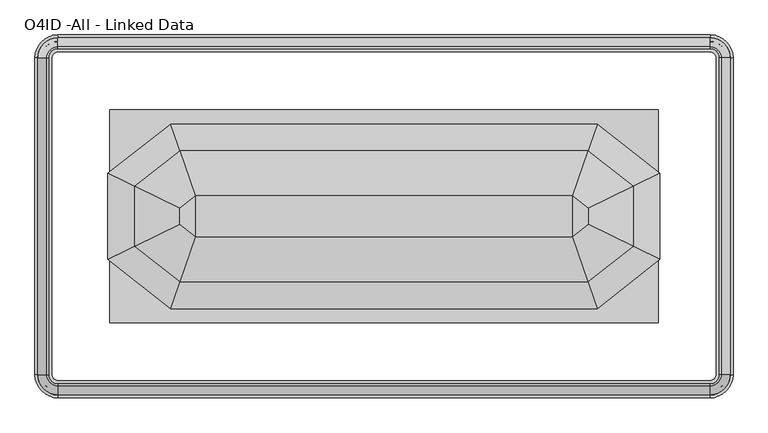
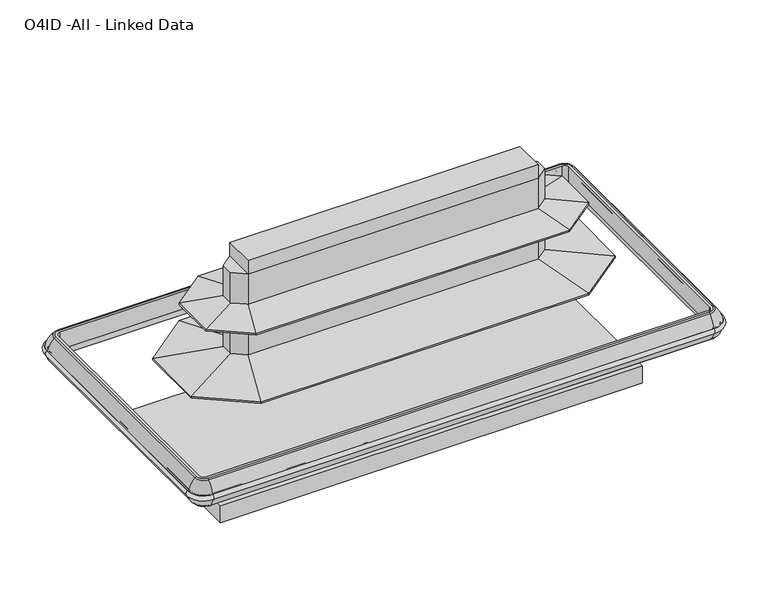
"""IFC4 building model written with IfcOpenShell, lengths in millimetres: proxy geometry, O4ID -All - Linked Data."""

from ifc_helpers import new_model, si_unit, point, frame, origin, place, context, project, spatial, polyline, circle_curve, ellipse_curve, trimmed, outline, extrude, faceted_brep, source, transform, mapped, element, save
from ifc_brep_helpers import plane_surface, cylinder_surface, revolved_surface, advanced_brep


def o4id_all_linked_data_f9561949(model_context):
    return source(origin(), model_context, "Body", "SolidModel", [
        advanced_brep(
        [(15.5691464, -2298.62165, 576.4502877), (128.5372773, -2411.5897809, 576.4502877), (128.5372773, -2412.2459044, 541.7869334), (14.9130229, -2298.62165, 541.7869334), (14.9130229, -530.0462046, 541.7869334), (15.5691464, -530.0462046, 576.4502877), (128.5372773, -417.0780737, 576.4502877), (128.5372773, -416.4219502, 541.7869334), (3770.3627227, -416.4219502, 541.7869334), (3770.3627227, -417.0780737, 576.4502877), (3883.3308536, -530.0462046, 576.4502877), (3883.9869771, -530.0462046, 541.7869334), (3883.9869771, -2298.62165, 541.7869334), (3883.3308536, -2298.62165, 576.4502877), (3770.3627227, -2411.5897809, 576.4502877), (3770.3627227, -2412.2459044, 541.7869334)],
        [
            (0, 1, circle_curve(frame((128.5372773, -2298.62165, 576.4502877), z_axis=(0.0, 0.0, 1.0), x_axis=(0.0, -1.0, 0.0)), 112.9681309)),
            (1, 2, circle_curve(frame((128.5372773, -2409.555689, 559.0738987), z_axis=(-1.0, 0.0, 0.0), x_axis=(0.0, -1.0, 0.0)), 17.49504)),
            (2, 3, circle_curve(frame((128.5372773, -2298.62165, 541.7869334), z_axis=(0.0, 0.0, -1.0), x_axis=(0.0, -1.0, 0.0)), 113.6242544)),
            (3, 0, circle_curve(frame((17.6032383, -2298.62165, 559.0738987), z_axis=(0.0, -1.0, 0.0), x_axis=(-1.0, 0.0, 0.0)), 17.49504)),
            (2, 1, circle_curve(frame((128.5372773, -2409.555689, 559.0738987), z_axis=(-1.0, 0.0, 0.0), x_axis=(0.0, -1.0, 0.0)), 17.49504)),
            (0, 3, circle_curve(frame((17.6032383, -2298.62165, 559.0738987), z_axis=(0.0, -1.0, 0.0), x_axis=(-1.0, 0.0, 0.0)), 17.49504)),
            (3, 4),
            (4, 5, circle_curve(frame((17.6032383, -530.0462046, 559.0738987), z_axis=(0.0, -1.0, 0.0), x_axis=(-1.0, 0.0, 0.0)), 17.49504)),
            (5, 0),
            (5, 4, circle_curve(frame((17.6032383, -530.0462046, 559.0738987), z_axis=(0.0, -1.0, 0.0), x_axis=(-1.0, 0.0, 0.0)), 17.49504)),
            (6, 5, circle_curve(frame((128.5372773, -530.0462046, 576.4502877), z_axis=(0.0, 0.0, 1.0), x_axis=(-1.0, 0.0, 0.0)), 112.9681309)),
            (4, 7, circle_curve(frame((128.5372773, -530.0462046, 541.7869334), z_axis=(0.0, 0.0, -1.0), x_axis=(-1.0, 0.0, 0.0)), 113.6242544)),
            (7, 6, circle_curve(frame((128.5372773, -419.1121656, 559.0738987), z_axis=(-1.0, 0.0, 0.0), x_axis=(0.0, 1.0, 0.0)), 17.49504)),
            (6, 7, circle_curve(frame((128.5372773, -419.1121656, 559.0738987), z_axis=(-1.0, 0.0, 0.0), x_axis=(0.0, 1.0, 0.0)), 17.49504)),
            (7, 8),
            (8, 9, circle_curve(frame((3770.3627227, -419.1121656, 559.0738987), z_axis=(-1.0, 0.0, 0.0), x_axis=(0.0, 1.0, 0.0)), 17.49504)),
            (9, 6),
            (9, 8, circle_curve(frame((3770.3627227, -419.1121656, 559.0738987), z_axis=(-1.0, 0.0, 0.0), x_axis=(0.0, 1.0, 0.0)), 17.49504)),
            (10, 9, circle_curve(frame((3770.3627227, -530.0462046, 576.4502877), z_axis=(0.0, 0.0, 1.0), x_axis=(0.0, 1.0, 0.0)), 112.9681309)),
            (8, 11, circle_curve(frame((3770.3627227, -530.0462046, 541.7869334), z_axis=(0.0, 0.0, -1.0), x_axis=(0.0, 1.0, 0.0)), 113.6242544)),
            (11, 10, circle_curve(frame((3881.2967617, -530.0462046, 559.0738987), z_axis=(0.0, 1.0, 0.0), x_axis=(1.0, 0.0, 0.0)), 17.49504)),
            (10, 11, circle_curve(frame((3881.2967617, -530.0462046, 559.0738987), z_axis=(0.0, 1.0, 0.0), x_axis=(1.0, 0.0, 0.0)), 17.49504)),
            (11, 12),
            (12, 13, circle_curve(frame((3881.2967617, -2298.62165, 559.0738987), z_axis=(0.0, 1.0, 0.0), x_axis=(1.0, 0.0, 0.0)), 17.49504)),
            (13, 10),
            (13, 12, circle_curve(frame((3881.2967617, -2298.62165, 559.0738987), z_axis=(0.0, 1.0, 0.0), x_axis=(1.0, 0.0, 0.0)), 17.49504)),
            (14, 13, circle_curve(frame((3770.3627227, -2298.62165, 576.4502877), z_axis=(0.0, 0.0, 1.0), x_axis=(1.0, 0.0, 0.0)), 112.9681309)),
            (12, 15, circle_curve(frame((3770.3627227, -2298.62165, 541.7869334), z_axis=(0.0, 0.0, -1.0), x_axis=(1.0, 0.0, 0.0)), 113.6242544)),
            (15, 14, circle_curve(frame((3770.3627227, -2409.555689, 559.0738987), z_axis=(1.0, 0.0, 0.0), x_axis=(0.0, -1.0, 0.0)), 17.49504)),
            (14, 15, circle_curve(frame((3770.3627227, -2409.555689, 559.0738987), z_axis=(1.0, 0.0, 0.0), x_axis=(0.0, -1.0, 0.0)), 17.49504)),
            (15, 2),
            (1, 14),
        ],
        [
            revolved_surface(trimmed(ellipse_curve(frame((128.5372773, -2409.555689, 559.0738987), z_axis=(1.0, 0.0, 0.0), x_axis=(0.0, -1.0, 0.0)), 17.49504, 17.49504), [point((128.5372773, -2412.2459044, 541.7869334))], [point((128.5372773, -2411.5897809, 576.4502877))], True, "CARTESIAN"), (128.5372773, -2298.62165, 0.0), (0.0, 0.0, -1.0)),
            revolved_surface(trimmed(ellipse_curve(frame((128.5372773, -2409.555689, 559.0738987), z_axis=(1.0, 0.0, 0.0), x_axis=(0.0, -1.0, 0.0)), 17.49504, 17.49504), [point((128.5372773, -2411.5897809, 576.4502877))], [point((128.5372773, -2412.2459044, 541.7869334))], True, "CARTESIAN"), (128.5372773, -2298.62165, 0.0), (0.0, 0.0, -1.0)),
            cylinder_surface(frame((17.6032383, -2298.62165, 559.0738987), z_axis=(0.0, -1.0, 0.0), x_axis=(-1.0, 0.0, 0.0)), 17.49504),
            revolved_surface(trimmed(ellipse_curve(frame((17.6032383, -530.0462046, 559.0738987), z_axis=(0.0, -1.0, 0.0), x_axis=(-1.0, 0.0, 0.0)), 17.49504, 17.49504), [point((14.9130229, -530.0462046, 541.7869334))], [point((15.5691464, -530.0462046, 576.4502877))], True, "CARTESIAN"), (128.5372773, -530.0462046, 0.0), (0.0, 0.0, -1.0)),
            revolved_surface(trimmed(ellipse_curve(frame((17.6032383, -530.0462046, 559.0738987), z_axis=(0.0, -1.0, 0.0), x_axis=(-1.0, 0.0, 0.0)), 17.49504, 17.49504), [point((15.5691464, -530.0462046, 576.4502877))], [point((14.9130229, -530.0462046, 541.7869334))], True, "CARTESIAN"), (128.5372773, -530.0462046, 0.0), (0.0, 0.0, -1.0)),
            cylinder_surface(frame((128.5372773, -419.1121656, 559.0738987), z_axis=(-1.0, 0.0, 0.0), x_axis=(0.0, 1.0, 0.0)), 17.49504),
            revolved_surface(trimmed(ellipse_curve(frame((3770.3627227, -419.1121656, 559.0738987), z_axis=(-1.0, 0.0, 0.0), x_axis=(0.0, 1.0, 0.0)), 17.49504, 17.49504), [point((3770.3627227, -416.4219502, 541.7869334))], [point((3770.3627227, -417.0780737, 576.4502877))], True, "CARTESIAN"), (3770.3627227, -530.0462046, 0.0), (0.0, 0.0, -1.0)),
            revolved_surface(trimmed(ellipse_curve(frame((3770.3627227, -419.1121656, 559.0738987), z_axis=(-1.0, 0.0, 0.0), x_axis=(0.0, 1.0, 0.0)), 17.49504, 17.49504), [point((3770.3627227, -417.0780737, 576.4502877))], [point((3770.3627227, -416.4219502, 541.7869334))], True, "CARTESIAN"), (3770.3627227, -530.0462046, 0.0), (0.0, 0.0, -1.0)),
            cylinder_surface(frame((3881.2967617, -530.0462046, 559.0738987), z_axis=(0.0, 1.0, 0.0), x_axis=(1.0, 0.0, 0.0)), 17.49504),
            revolved_surface(trimmed(ellipse_curve(frame((3881.2967617, -2298.62165, 559.0738987), z_axis=(0.0, 1.0, 0.0), x_axis=(1.0, 0.0, 0.0)), 17.49504, 17.49504), [point((3883.9869771, -2298.62165, 541.7869334))], [point((3883.3308536, -2298.62165, 576.4502877))], True, "CARTESIAN"), (3770.3627227, -2298.62165, 0.0), (0.0, 0.0, -1.0)),
            revolved_surface(trimmed(ellipse_curve(frame((3881.2967617, -2298.62165, 559.0738987), z_axis=(0.0, 1.0, 0.0), x_axis=(1.0, 0.0, 0.0)), 17.49504, 17.49504), [point((3883.3308536, -2298.62165, 576.4502877))], [point((3883.9869771, -2298.62165, 541.7869334))], True, "CARTESIAN"), (3770.3627227, -2298.62165, 0.0), (0.0, 0.0, -1.0)),
            cylinder_surface(frame((3770.3627227, -2409.555689, 559.0738987), z_axis=(1.0, 0.0, 0.0), x_axis=(0.0, -1.0, 0.0)), 17.49504),
        ],
        [
            (0, [[1, 2, 3, 4]]),
            (1, [[-3, 5, -1, 6]]),
            (2, [[-4, 7, 8, 9]]),
            (2, [[-6, -9, 10, -7]]),
            (3, [[11, -8, 12, 13]]),
            (4, [[-12, -10, -11, 14]]),
            (5, [[-13, 15, 16, 17]]),
            (5, [[-14, -17, 18, -15]]),
            (6, [[19, -16, 20, 21]]),
            (7, [[-20, -18, -19, 22]]),
            (8, [[-21, 23, 24, 25]]),
            (8, [[-22, -25, 26, -23]]),
            (9, [[27, -24, 28, 29]]),
            (10, [[-28, -26, -27, 30]]),
            (11, [[-29, 31, -2, 32]]),
            (11, [[-30, -32, -5, -31]]),
        ],
    ),
        advanced_brep(
        [(3821.7474506, -2298.62165, 664.6065482), (3770.3627227, -2350.0063779, 664.6065482), (3770.3627227, -2360.7928007, 660.3792394), (3832.5338734, -2298.62165, 660.3792394), (3801.3161501, -2298.62165, 529.6852408), (3770.3627227, -2329.5750774, 529.6852408), (3770.3627227, -2329.5750774, 664.6065482), (3801.3161501, -2298.62165, 664.6065482), (3816.876808, -2298.62165, 475.7067482), (3770.3627227, -2345.1357353, 475.7067482), (3770.3627227, -2345.1357353, 529.6852408), (3816.876808, -2298.62165, 529.6852408), (3853.8137761, -2298.62165, 477.8552864), (3770.3627227, -2382.0727034, 477.8552864), (3770.3627227, -2377.311378, 475.7067482), (3849.0524507, -2298.62165, 475.7067482), (3883.9869771, -2298.62165, 541.7869334), (3770.3627227, -2412.2459044, 541.7869334), (3883.3308536, -2298.62165, 576.4502877), (3770.3627227, -2411.5897809, 576.4502877), (3832.5338734, -530.0462046, 660.3792394), (3821.7474506, -530.0462046, 664.6065482), (3801.3161501, -530.0462046, 664.6065482), (3801.3161501, -530.0462046, 529.6852408), (3816.876808, -530.0462046, 529.6852408), (3816.876808, -530.0462046, 475.7067482), (3849.0524507, -530.0462046, 475.7067482), (3853.8137761, -530.0462046, 477.8552864), (3883.9869771, -530.0462046, 541.7869334), (3883.3308536, -530.0462046, 576.4502877), (3770.3627227, -478.6614766, 664.6065482), (3770.3627227, -467.8750539, 660.3792394), (3770.3627227, -499.0927772, 529.6852408), (3770.3627227, -499.0927772, 664.6065482), (3770.3627227, -483.5321193, 475.7067482), (3770.3627227, -483.5321193, 529.6852408), (3770.3627227, -446.5951512, 477.8552864), (3770.3627227, -451.3564766, 475.7067482), (3770.3627227, -416.4219502, 541.7869334), (3770.3627227, -417.0780737, 576.4502877), (128.5372773, -467.8750539, 660.3792394), (128.5372773, -478.6614766, 664.6065482), (128.5372773, -499.0927772, 664.6065482), (128.5372773, -499.0927772, 529.6852408), (128.5372773, -483.5321193, 529.6852408), (128.5372773, -483.5321193, 475.7067482), (128.5372773, -451.3564766, 475.7067482), (128.5372773, -446.5951512, 477.8552864), (128.5372773, -416.4219502, 541.7869334), (128.5372773, -417.0780737, 576.4502877), (77.1525494, -530.0462046, 664.6065482), (66.3661266, -530.0462046, 660.3792394), (97.5838499, -530.0462046, 529.6852408), (97.5838499, -530.0462046, 664.6065482), (82.023192, -530.0462046, 475.7067482), (82.023192, -530.0462046, 529.6852408), (45.0862239, -530.0462046, 477.8552864), (49.8475493, -530.0462046, 475.7067482), (14.9130229, -530.0462046, 541.7869334), (15.5691464, -530.0462046, 576.4502877), (66.3661266, -2298.62165, 660.3792394), (77.1525494, -2298.62165, 664.6065482), (97.5838499, -2298.62165, 664.6065482), (97.5838499, -2298.62165, 529.6852408), (82.023192, -2298.62165, 529.6852408), (82.023192, -2298.62165, 475.7067482), (49.8475493, -2298.62165, 475.7067482), (45.0862239, -2298.62165, 477.8552864), (14.9130229, -2298.62165, 541.7869334), (15.5691464, -2298.62165, 576.4502877), (128.5372773, -2350.0063779, 664.6065482), (128.5372773, -2360.7928007, 660.3792394), (128.5372773, -2329.5750774, 529.6852408), (128.5372773, -2329.5750774, 664.6065482), (128.5372773, -2345.1357353, 475.7067482), (128.5372773, -2345.1357353, 529.6852408), (128.5372773, -2382.0727034, 477.8552864), (128.5372773, -2377.311378, 475.7067482), (128.5372773, -2412.2459044, 541.7869334), (128.5372773, -2411.5897809, 576.4502877)],
        [
            (0, 1, circle_curve(frame((3770.3627227, -2298.62165, 664.6065482), z_axis=(0.0, 0.0, -1.0), x_axis=(0.0, -1.0, 0.0)), 51.3847279)),
            (1, 2, circle_curve(frame((3770.3627227, -2350.0063779, 648.7315482), z_axis=(1.0, 0.0, 0.0), x_axis=(0.0, 1.0, 0.0)), 15.875)),
            (2, 3, circle_curve(frame((3770.3627227, -2298.62165, 660.3792394), z_axis=(0.0, 0.0, 1.0), x_axis=(0.0, -1.0, 0.0)), 62.1711507)),
            (3, 0, circle_curve(frame((3821.7474506, -2298.62165, 648.7315482), z_axis=(0.0, -1.0, 0.0), x_axis=(-1.0, 0.0, 0.0)), 15.875)),
            (4, 5, circle_curve(frame((3770.3627227, -2298.62165, 529.6852408), z_axis=(0.0, 0.0, -1.0), x_axis=(0.0, -1.0, 0.0)), 30.9534273)),
            (5, 6),
            (6, 7, circle_curve(frame((3770.3627227, -2298.62165, 664.6065482), z_axis=(0.0, 0.0, 1.0), x_axis=(0.0, -1.0, 0.0)), 30.9534273)),
            (7, 4),
            (8, 9, circle_curve(frame((3770.3627227, -2298.62165, 475.7067482), z_axis=(0.0, 0.0, -1.0), x_axis=(0.0, -1.0, 0.0)), 46.5140852)),
            (9, 10),
            (10, 11, circle_curve(frame((3770.3627227, -2298.62165, 529.6852408), z_axis=(0.0, 0.0, 1.0), x_axis=(0.0, -1.0, 0.0)), 46.5140852)),
            (11, 8),
            (12, 13, circle_curve(frame((3770.3627227, -2298.62165, 477.8552864), z_axis=(0.0, 0.0, -1.0), x_axis=(0.0, -1.0, 0.0)), 83.4510533)),
            (13, 14, circle_curve(frame((3770.3627227, -2377.311378, 482.0567481), z_axis=(1.0, 0.0, 0.0), x_axis=(0.0, 1.0, 0.0)), 6.35)),
            (14, 15, circle_curve(frame((3770.3627227, -2298.62165, 475.7067482), z_axis=(0.0, 0.0, 1.0), x_axis=(0.0, -1.0, 0.0)), 78.689728)),
            (15, 12, circle_curve(frame((3849.0524507, -2298.62165, 482.0567481), z_axis=(0.0, -1.0, 0.0), x_axis=(-1.0, 0.0, 0.0)), 6.35)),
            (16, 17, circle_curve(frame((3770.3627227, -2298.62165, 541.7869334), z_axis=(0.0, 0.0, -1.0), x_axis=(0.0, -1.0, 0.0)), 113.6242544)),
            (17, 13, circle_curve(frame((3770.3627227, -2286.8461955, 561.8845207), z_axis=(1.0, 0.0, 0.0), x_axis=(0.0, 1.0, 0.0)), 127.0)),
            (12, 16, circle_curve(frame((3758.5872682, -2298.62165, 561.8845207), z_axis=(0.0, -1.0, 0.0), x_axis=(-1.0, 0.0, 0.0)), 127.0)),
            (18, 19, circle_curve(frame((3770.3627227, -2298.62165, 576.4502877), z_axis=(0.0, 0.0, -1.0), x_axis=(0.0, -1.0, 0.0)), 112.9681309)),
            (19, 17, circle_curve(frame((3770.3627227, -2409.555689, 559.0738987), z_axis=(-1.0, 0.0, 0.0), x_axis=(0.0, 1.0, 0.0)), 17.49504)),
            (16, 18, circle_curve(frame((3881.2967617, -2298.62165, 559.0738987), z_axis=(0.0, 1.0, 0.0), x_axis=(-1.0, 0.0, 0.0)), 17.49504)),
            (2, 19, circle_curve(frame((3770.3627227, -2239.9848663, 529.9250981), z_axis=(1.0, 0.0, 0.0), x_axis=(0.0, 1.0, 0.0)), 177.7999999)),
            (18, 3, circle_curve(frame((3711.725939, -2298.62165, 529.9250981), z_axis=(0.0, -1.0, 0.0), x_axis=(-1.0, 0.0, 0.0)), 177.7999999)),
            (3, 20),
            (20, 21, circle_curve(frame((3821.7474506, -530.0462046, 648.7315482), z_axis=(0.0, -1.0, 0.0), x_axis=(-1.0, 0.0, 0.0)), 15.875)),
            (21, 0),
            (7, 22),
            (22, 23),
            (23, 4),
            (11, 24),
            (24, 25),
            (25, 8),
            (15, 26),
            (26, 27, circle_curve(frame((3849.0524507, -530.0462046, 482.0567481), z_axis=(0.0, -1.0, 0.0), x_axis=(-1.0, 0.0, 0.0)), 6.35)),
            (27, 12),
            (27, 28, circle_curve(frame((3758.5872682, -530.0462046, 561.8845207), z_axis=(0.0, -1.0, 0.0), x_axis=(-1.0, 0.0, 0.0)), 127.0)),
            (28, 16),
            (28, 29, circle_curve(frame((3881.2967617, -530.0462046, 559.0738987), z_axis=(0.0, 1.0, 0.0), x_axis=(-1.0, 0.0, 0.0)), 17.49504)),
            (29, 18),
            (29, 20, circle_curve(frame((3711.725939, -530.0462046, 529.9250981), z_axis=(0.0, -1.0, 0.0), x_axis=(-1.0, 0.0, 0.0)), 177.7999999)),
            (30, 21, circle_curve(frame((3770.3627227, -530.0462046, 664.6065482), z_axis=(0.0, 0.0, -1.0), x_axis=(1.0, 0.0, 0.0)), 51.3847279)),
            (20, 31, circle_curve(frame((3770.3627227, -530.0462046, 660.3792394), z_axis=(0.0, 0.0, 1.0), x_axis=(1.0, 0.0, 0.0)), 62.1711507)),
            (31, 30, circle_curve(frame((3770.3627227, -478.6614766, 648.7315482), z_axis=(1.0, 0.0, 0.0), x_axis=(0.0, -1.0, 0.0)), 15.875)),
            (32, 23, circle_curve(frame((3770.3627227, -530.0462046, 529.6852408), z_axis=(0.0, 0.0, -1.0), x_axis=(1.0, 0.0, 0.0)), 30.9534273)),
            (22, 33, circle_curve(frame((3770.3627227, -530.0462046, 664.6065482), z_axis=(0.0, 0.0, 1.0), x_axis=(1.0, 0.0, 0.0)), 30.9534273)),
            (33, 32),
            (34, 25, circle_curve(frame((3770.3627227, -530.0462046, 475.7067482), z_axis=(0.0, 0.0, -1.0), x_axis=(1.0, 0.0, 0.0)), 46.5140852)),
            (24, 35, circle_curve(frame((3770.3627227, -530.0462046, 529.6852408), z_axis=(0.0, 0.0, 1.0), x_axis=(1.0, 0.0, 0.0)), 46.5140852)),
            (35, 34),
            (36, 27, circle_curve(frame((3770.3627227, -530.0462046, 477.8552864), z_axis=(0.0, 0.0, -1.0), x_axis=(1.0, 0.0, 0.0)), 83.4510533)),
            (26, 37, circle_curve(frame((3770.3627227, -530.0462046, 475.7067482), z_axis=(0.0, 0.0, 1.0), x_axis=(1.0, 0.0, 0.0)), 78.689728)),
            (37, 36, circle_curve(frame((3770.3627227, -451.3564766, 482.0567481), z_axis=(1.0, 0.0, 0.0), x_axis=(0.0, -1.0, 0.0)), 6.35)),
            (38, 28, circle_curve(frame((3770.3627227, -530.0462046, 541.7869334), z_axis=(0.0, 0.0, -1.0), x_axis=(1.0, 0.0, 0.0)), 113.6242544)),
            (36, 38, circle_curve(frame((3770.3627227, -541.8216591, 561.8845207), z_axis=(1.0, 0.0, 0.0), x_axis=(0.0, -1.0, 0.0)), 127.0)),
            (39, 29, circle_curve(frame((3770.3627227, -530.0462046, 576.4502877), z_axis=(0.0, 0.0, -1.0), x_axis=(1.0, 0.0, 0.0)), 112.9681309)),
            (38, 39, circle_curve(frame((3770.3627227, -419.1121656, 559.0738987), z_axis=(-1.0, 0.0, 0.0), x_axis=(0.0, -1.0, 0.0)), 17.49504)),
            (39, 31, circle_curve(frame((3770.3627227, -588.6829883, 529.9250981), z_axis=(1.0, 0.0, 0.0), x_axis=(0.0, -1.0, 0.0)), 177.7999999)),
            (31, 40),
            (40, 41, circle_curve(frame((128.5372773, -478.6614766, 648.7315482), z_axis=(1.0, 0.0, 0.0), x_axis=(0.0, -1.0, 0.0)), 15.875)),
            (41, 30),
            (33, 42),
            (42, 43),
            (43, 32),
            (35, 44),
            (44, 45),
            (45, 34),
            (37, 46),
            (46, 47, circle_curve(frame((128.5372773, -451.3564766, 482.0567481), z_axis=(1.0, 0.0, 0.0), x_axis=(0.0, -1.0, 0.0)), 6.35)),
            (47, 36),
            (47, 48, circle_curve(frame((128.5372773, -541.8216591, 561.8845207), z_axis=(1.0, 0.0, 0.0), x_axis=(0.0, -1.0, 0.0)), 127.0)),
            (48, 38),
            (48, 49, circle_curve(frame((128.5372773, -419.1121656, 559.0738987), z_axis=(-1.0, 0.0, 0.0), x_axis=(0.0, -1.0, 0.0)), 17.49504)),
            (49, 39),
            (49, 40, circle_curve(frame((128.5372773, -588.6829883, 529.9250981), z_axis=(1.0, 0.0, 0.0), x_axis=(0.0, -1.0, 0.0)), 177.7999999)),
            (50, 41, circle_curve(frame((128.5372773, -530.0462046, 664.6065482), z_axis=(0.0, 0.0, -1.0), x_axis=(0.0, 1.0, 0.0)), 51.3847279)),
            (40, 51, circle_curve(frame((128.5372773, -530.0462046, 660.3792394), z_axis=(0.0, 0.0, 1.0), x_axis=(0.0, 1.0, 0.0)), 62.1711507)),
            (51, 50, circle_curve(frame((77.1525494, -530.0462046, 648.7315482), z_axis=(0.0, 1.0, 0.0), x_axis=(1.0, 0.0, 0.0)), 15.875)),
            (52, 43, circle_curve(frame((128.5372773, -530.0462046, 529.6852408), z_axis=(0.0, 0.0, -1.0), x_axis=(0.0, 1.0, 0.0)), 30.9534273)),
            (42, 53, circle_curve(frame((128.5372773, -530.0462046, 664.6065482), z_axis=(0.0, 0.0, 1.0), x_axis=(0.0, 1.0, 0.0)), 30.9534273)),
            (53, 52),
            (54, 45, circle_curve(frame((128.5372773, -530.0462046, 475.7067482), z_axis=(0.0, 0.0, -1.0), x_axis=(0.0, 1.0, 0.0)), 46.5140852)),
            (44, 55, circle_curve(frame((128.5372773, -530.0462046, 529.6852408), z_axis=(0.0, 0.0, 1.0), x_axis=(0.0, 1.0, 0.0)), 46.5140852)),
            (55, 54),
            (56, 47, circle_curve(frame((128.5372773, -530.0462046, 477.8552864), z_axis=(0.0, 0.0, -1.0), x_axis=(0.0, 1.0, 0.0)), 83.4510533)),
            (46, 57, circle_curve(frame((128.5372773, -530.0462046, 475.7067482), z_axis=(0.0, 0.0, 1.0), x_axis=(0.0, 1.0, 0.0)), 78.689728)),
            (57, 56, circle_curve(frame((49.8475493, -530.0462046, 482.0567481), z_axis=(0.0, 1.0, 0.0), x_axis=(1.0, 0.0, 0.0)), 6.35)),
            (58, 48, circle_curve(frame((128.5372773, -530.0462046, 541.7869334), z_axis=(0.0, 0.0, -1.0), x_axis=(0.0, 1.0, 0.0)), 113.6242544)),
            (56, 58, circle_curve(frame((140.3127318, -530.0462046, 561.8845207), z_axis=(0.0, 1.0, 0.0), x_axis=(1.0, 0.0, 0.0)), 127.0)),
            (59, 49, circle_curve(frame((128.5372773, -530.0462046, 576.4502877), z_axis=(0.0, 0.0, -1.0), x_axis=(0.0, 1.0, 0.0)), 112.9681309)),
            (58, 59, circle_curve(frame((17.6032383, -530.0462046, 559.0738987), z_axis=(0.0, -1.0, 0.0), x_axis=(1.0, 0.0, 0.0)), 17.49504)),
            (59, 51, circle_curve(frame((187.174061, -530.0462046, 529.9250981), z_axis=(0.0, 1.0, 0.0), x_axis=(1.0, 0.0, 0.0)), 177.7999999)),
            (51, 60),
            (60, 61, circle_curve(frame((77.1525494, -2298.62165, 648.7315482), z_axis=(0.0, 1.0, 0.0), x_axis=(1.0, 0.0, 0.0)), 15.875)),
            (61, 50),
            (53, 62),
            (62, 63),
            (63, 52),
            (55, 64),
            (64, 65),
            (65, 54),
            (57, 66),
            (66, 67, circle_curve(frame((49.8475493, -2298.62165, 482.0567481), z_axis=(0.0, 1.0, 0.0), x_axis=(1.0, 0.0, 0.0)), 6.35)),
            (67, 56),
            (67, 68, circle_curve(frame((140.3127318, -2298.62165, 561.8845207), z_axis=(0.0, 1.0, 0.0), x_axis=(1.0, 0.0, 0.0)), 127.0)),
            (68, 58),
            (68, 69, circle_curve(frame((17.6032383, -2298.62165, 559.0738987), z_axis=(0.0, -1.0, 0.0), x_axis=(1.0, 0.0, 0.0)), 17.49504)),
            (69, 59),
            (69, 60, circle_curve(frame((187.174061, -2298.62165, 529.9250981), z_axis=(0.0, 1.0, 0.0), x_axis=(1.0, 0.0, 0.0)), 177.7999999)),
            (70, 61, circle_curve(frame((128.5372773, -2298.62165, 664.6065482), z_axis=(0.0, 0.0, -1.0), x_axis=(-1.0, 0.0, 0.0)), 51.3847279)),
            (60, 71, circle_curve(frame((128.5372773, -2298.62165, 660.3792394), z_axis=(0.0, 0.0, 1.0), x_axis=(-1.0, 0.0, 0.0)), 62.1711507)),
            (71, 70, circle_curve(frame((128.5372773, -2350.0063779, 648.7315482), z_axis=(-1.0, 0.0, 0.0), x_axis=(0.0, 1.0, 0.0)), 15.875)),
            (72, 63, circle_curve(frame((128.5372773, -2298.62165, 529.6852408), z_axis=(0.0, 0.0, -1.0), x_axis=(-1.0, 0.0, 0.0)), 30.9534273)),
            (62, 73, circle_curve(frame((128.5372773, -2298.62165, 664.6065482), z_axis=(0.0, 0.0, 1.0), x_axis=(-1.0, 0.0, 0.0)), 30.9534273)),
            (73, 72),
            (74, 65, circle_curve(frame((128.5372773, -2298.62165, 475.7067482), z_axis=(0.0, 0.0, -1.0), x_axis=(-1.0, 0.0, 0.0)), 46.5140852)),
            (64, 75, circle_curve(frame((128.5372773, -2298.62165, 529.6852408), z_axis=(0.0, 0.0, 1.0), x_axis=(-1.0, 0.0, 0.0)), 46.5140852)),
            (75, 74),
            (76, 67, circle_curve(frame((128.5372773, -2298.62165, 477.8552864), z_axis=(0.0, 0.0, -1.0), x_axis=(-1.0, 0.0, 0.0)), 83.4510533)),
            (66, 77, circle_curve(frame((128.5372773, -2298.62165, 475.7067482), z_axis=(0.0, 0.0, 1.0), x_axis=(-1.0, 0.0, 0.0)), 78.689728)),
            (77, 76, circle_curve(frame((128.5372773, -2377.311378, 482.0567481), z_axis=(-1.0, 0.0, 0.0), x_axis=(0.0, 1.0, 0.0)), 6.35)),
            (78, 68, circle_curve(frame((128.5372773, -2298.62165, 541.7869334), z_axis=(0.0, 0.0, -1.0), x_axis=(-1.0, 0.0, 0.0)), 113.6242544)),
            (76, 78, circle_curve(frame((128.5372773, -2286.8461955, 561.8845207), z_axis=(-1.0, 0.0, 0.0), x_axis=(0.0, 1.0, 0.0)), 127.0)),
            (79, 69, circle_curve(frame((128.5372773, -2298.62165, 576.4502877), z_axis=(0.0, 0.0, -1.0), x_axis=(-1.0, 0.0, 0.0)), 112.9681309)),
            (78, 79, circle_curve(frame((128.5372773, -2409.555689, 559.0738987), z_axis=(1.0, 0.0, 0.0), x_axis=(0.0, 1.0, 0.0)), 17.49504)),
            (79, 71, circle_curve(frame((128.5372773, -2239.9848663, 529.9250981), z_axis=(-1.0, 0.0, 0.0), x_axis=(0.0, 1.0, 0.0)), 177.7999999)),
            (71, 2),
            (1, 70),
            (6, 73),
            (5, 72),
            (10, 75),
            (9, 74),
            (14, 77),
            (13, 76),
            (17, 78),
            (19, 79),
        ],
        [
            revolved_surface(trimmed(ellipse_curve(frame((3770.3627227, -2350.0063779, 648.7315482), z_axis=(-1.0, 0.0, 0.0), x_axis=(0.0, 1.0, 0.0)), 15.875, 15.875), [point((3770.3627227, -2360.7928007, 660.3792394))], [point((3770.3627227, -2350.0063779, 664.6065482))], True, "CARTESIAN"), (3770.3627227, -2298.62165, 0.0), (0.0, 0.0, 1.0)),
            revolved_surface(polyline([(3770.3627227, -2329.5750773, 664.6065482), (3770.3627227, -2329.5750773, 529.6852408)]), (3770.3627227, -2298.62165, 0.0), (0.0, 0.0, 1.0)),
            revolved_surface(polyline([(3770.3627227, -2345.1357352, 529.6852408), (3770.3627227, -2345.1357352, 475.7067482)]), (3770.3627227, -2298.62165, 0.0), (0.0, 0.0, 1.0)),
            revolved_surface(trimmed(ellipse_curve(frame((3770.3627227, -2377.311378, 482.0567481), z_axis=(-1.0, 0.0, 0.0), x_axis=(0.0, 1.0, 0.0)), 6.35, 6.35), [point((3770.3627227, -2377.311378, 475.7067482))], [point((3770.3627227, -2382.0727034, 477.8552864))], True, "CARTESIAN"), (3770.3627227, -2298.62165, 0.0), (0.0, 0.0, 1.0)),
            revolved_surface(trimmed(ellipse_curve(frame((3770.3627227, -2286.8461955, 561.8845207), z_axis=(-1.0, 0.0, 0.0), x_axis=(0.0, 1.0, 0.0)), 127.0, 127.0), [point((3770.3627227, -2382.0727034, 477.8552864))], [point((3770.3627227, -2412.2459044, 541.7869334))], True, "CARTESIAN"), (3770.3627227, -2298.62165, 0.0), (0.0, 0.0, 1.0)),
            revolved_surface(trimmed(ellipse_curve(frame((3770.3627227, -2409.555689, 559.0738987), z_axis=(1.0, 0.0, 0.0), x_axis=(0.0, 1.0, 0.0)), 17.49504, 17.49504), [point((3770.3627227, -2412.2459044, 541.7869334))], [point((3770.3627227, -2411.5897809, 576.4502877))], True, "CARTESIAN"), (3770.3627227, -2298.62165, 0.0), (0.0, 0.0, 1.0)),
            revolved_surface(trimmed(ellipse_curve(frame((3770.3627227, -2239.9848663, 529.9250981), z_axis=(-1.0, 0.0, 0.0), x_axis=(0.0, 1.0, 0.0)), 177.7999999, 177.7999999), [point((3770.3627227, -2411.5897809, 576.4502877))], [point((3770.3627227, -2360.7928007, 660.3792394))], True, "CARTESIAN"), (3770.3627227, -2298.62165, 0.0), (0.0, 0.0, 1.0)),
            cylinder_surface(frame((3821.7474506, -2298.62165, 648.7315482), z_axis=(0.0, -1.0, 0.0), x_axis=(-1.0, 0.0, 0.0)), 15.875),
            plane_surface(frame((3801.3161501, -2298.62165, 664.6065482), z_axis=(-1.0, 0.0, 0.0), x_axis=(0.0, 1.0, 0.0))),
            plane_surface(frame((3816.876808, -2298.62165, 529.6852408), z_axis=(-1.0, 0.0, 0.0), x_axis=(0.0, 1.0, 0.0))),
            cylinder_surface(frame((3849.0524507, -2298.62165, 482.0567481), z_axis=(0.0, -1.0, 0.0), x_axis=(-1.0, 0.0, 0.0)), 6.35),
            cylinder_surface(frame((3758.5872682, -2298.62165, 561.8845207), z_axis=(0.0, -1.0, 0.0), x_axis=(-1.0, 0.0, 0.0)), 127.0),
            revolved_surface(polyline([(3863.8017217, -530.0462046, 559.0738987), (3863.8017217, -2298.62165, 559.0738987)]), (3881.2967617, -2298.62165, 559.0738987), (0.0, 1.0, 0.0)),
            cylinder_surface(frame((3711.725939, -2298.62165, 529.9250981), z_axis=(0.0, -1.0, 0.0), x_axis=(-1.0, 0.0, 0.0)), 177.7999999),
            revolved_surface(trimmed(ellipse_curve(frame((3821.7474506, -530.0462046, 648.7315482), z_axis=(0.0, -1.0, 0.0), x_axis=(-1.0, 0.0, 0.0)), 15.875, 15.875), [point((3832.5338734, -530.0462046, 660.3792394))], [point((3821.7474506, -530.0462046, 664.6065482))], True, "CARTESIAN"), (3770.3627227, -530.0462046, 0.0), (0.0, 0.0, 1.0)),
            revolved_surface(polyline([(3801.31615, -530.0462046, 664.6065482), (3801.31615, -530.0462046, 529.6852408)]), (3770.3627227, -530.0462046, 0.0), (0.0, 0.0, 1.0)),
            revolved_surface(polyline([(3816.8768079, -530.0462046, 529.6852408), (3816.8768079, -530.0462046, 475.7067482)]), (3770.3627227, -530.0462046, 0.0), (0.0, 0.0, 1.0)),
            revolved_surface(trimmed(ellipse_curve(frame((3849.0524507, -530.0462046, 482.0567481), z_axis=(0.0, -1.0, 0.0), x_axis=(-1.0, 0.0, 0.0)), 6.35, 6.35), [point((3849.0524507, -530.0462046, 475.7067482))], [point((3853.8137761, -530.0462046, 477.8552864))], True, "CARTESIAN"), (3770.3627227, -530.0462046, 0.0), (0.0, 0.0, 1.0)),
            revolved_surface(trimmed(ellipse_curve(frame((3758.5872682, -530.0462046, 561.8845207), z_axis=(0.0, -1.0, 0.0), x_axis=(-1.0, 0.0, 0.0)), 127.0, 127.0), [point((3853.8137761, -530.0462046, 477.8552864))], [point((3883.9869771, -530.0462046, 541.7869334))], True, "CARTESIAN"), (3770.3627227, -530.0462046, 0.0), (0.0, 0.0, 1.0)),
            revolved_surface(trimmed(ellipse_curve(frame((3881.2967617, -530.0462046, 559.0738987), z_axis=(0.0, 1.0, 0.0), x_axis=(-1.0, 0.0, 0.0)), 17.49504, 17.49504), [point((3883.9869771, -530.0462046, 541.7869334))], [point((3883.3308536, -530.0462046, 576.4502877))], True, "CARTESIAN"), (3770.3627227, -530.0462046, 0.0), (0.0, 0.0, 1.0)),
            revolved_surface(trimmed(ellipse_curve(frame((3711.725939, -530.0462046, 529.9250981), z_axis=(0.0, -1.0, 0.0), x_axis=(-1.0, 0.0, 0.0)), 177.7999999, 177.7999999), [point((3883.3308536, -530.0462046, 576.4502877))], [point((3832.5338734, -530.0462046, 660.3792394))], True, "CARTESIAN"), (3770.3627227, -530.0462046, 0.0), (0.0, 0.0, 1.0)),
            cylinder_surface(frame((3770.3627227, -478.6614766, 648.7315482), z_axis=(1.0, 0.0, 0.0), x_axis=(0.0, -1.0, 0.0)), 15.875),
            plane_surface(frame((3770.3627227, -499.0927772, 664.6065482), z_axis=(0.0, -1.0, 0.0), x_axis=(-1.0, 0.0, 0.0))),
            plane_surface(frame((3770.3627227, -483.5321193, 529.6852408), z_axis=(0.0, -1.0, 0.0), x_axis=(-1.0, 0.0, 0.0))),
            cylinder_surface(frame((3770.3627227, -451.3564766, 482.0567481), z_axis=(1.0, 0.0, 0.0), x_axis=(0.0, -1.0, 0.0)), 6.35),
            cylinder_surface(frame((3770.3627227, -541.8216591, 561.8845207), z_axis=(1.0, 0.0, 0.0), x_axis=(0.0, -1.0, 0.0)), 127.0),
            revolved_surface(polyline([(128.53727729999991, -436.60720560000004, 559.0738987), (3770.3627227, -436.60720560000004, 559.0738987)]), (3770.3627227, -419.1121656, 559.0738987), (-1.0, 0.0, 0.0)),
            cylinder_surface(frame((3770.3627227, -588.6829883, 529.9250981), z_axis=(1.0, 0.0, 0.0), x_axis=(0.0, -1.0, 0.0)), 177.7999999),
            revolved_surface(trimmed(ellipse_curve(frame((128.5372773, -478.6614766, 648.7315482), z_axis=(1.0, 0.0, 0.0), x_axis=(0.0, -1.0, 0.0)), 15.875, 15.875), [point((128.5372773, -467.8750539, 660.3792394))], [point((128.5372773, -478.6614766, 664.6065482))], True, "CARTESIAN"), (128.5372773, -530.0462046, 0.0), (0.0, 0.0, 1.0)),
            revolved_surface(polyline([(128.5372773, -499.0927773, 664.6065482), (128.5372773, -499.0927773, 529.6852408)]), (128.5372773, -530.0462046, 0.0), (0.0, 0.0, 1.0)),
            revolved_surface(polyline([(128.5372773, -483.5321194, 529.6852408), (128.5372773, -483.5321194, 475.7067482)]), (128.5372773, -530.0462046, 0.0), (0.0, 0.0, 1.0)),
            revolved_surface(trimmed(ellipse_curve(frame((128.5372773, -451.3564766, 482.0567481), z_axis=(1.0, 0.0, 0.0), x_axis=(0.0, -1.0, 0.0)), 6.35, 6.35), [point((128.5372773, -451.3564766, 475.7067482))], [point((128.5372773, -446.5951512, 477.8552864))], True, "CARTESIAN"), (128.5372773, -530.0462046, 0.0), (0.0, 0.0, 1.0)),
            revolved_surface(trimmed(ellipse_curve(frame((128.5372773, -541.8216591, 561.8845207), z_axis=(1.0, 0.0, 0.0), x_axis=(0.0, -1.0, 0.0)), 127.0, 127.0), [point((128.5372773, -446.5951512, 477.8552864))], [point((128.5372773, -416.4219502, 541.7869334))], True, "CARTESIAN"), (128.5372773, -530.0462046, 0.0), (0.0, 0.0, 1.0)),
            revolved_surface(trimmed(ellipse_curve(frame((128.5372773, -419.1121656, 559.0738987), z_axis=(-1.0, 0.0, 0.0), x_axis=(0.0, -1.0, 0.0)), 17.49504, 17.49504), [point((128.5372773, -416.4219502, 541.7869334))], [point((128.5372773, -417.0780737, 576.4502877))], True, "CARTESIAN"), (128.5372773, -530.0462046, 0.0), (0.0, 0.0, 1.0)),
            revolved_surface(trimmed(ellipse_curve(frame((128.5372773, -588.6829883, 529.9250981), z_axis=(1.0, 0.0, 0.0), x_axis=(0.0, -1.0, 0.0)), 177.7999999, 177.7999999), [point((128.5372773, -417.0780737, 576.4502877))], [point((128.5372773, -467.8750539, 660.3792394))], True, "CARTESIAN"), (128.5372773, -530.0462046, 0.0), (0.0, 0.0, 1.0)),
            cylinder_surface(frame((77.1525494, -530.0462046, 648.7315482), z_axis=(0.0, 1.0, 0.0), x_axis=(1.0, 0.0, 0.0)), 15.875),
            plane_surface(frame((97.5838499, -530.0462046, 664.6065482), z_axis=(1.0, 0.0, 0.0), x_axis=(0.0, -1.0, 0.0))),
            plane_surface(frame((82.023192, -530.0462046, 529.6852408), z_axis=(1.0, 0.0, 0.0), x_axis=(0.0, -1.0, 0.0))),
            cylinder_surface(frame((49.8475493, -530.0462046, 482.0567481), z_axis=(0.0, 1.0, 0.0), x_axis=(1.0, 0.0, 0.0)), 6.35),
            cylinder_surface(frame((140.3127318, -530.0462046, 561.8845207), z_axis=(0.0, 1.0, 0.0), x_axis=(1.0, 0.0, 0.0)), 127.0),
            revolved_surface(polyline([(35.098278300000004, -2298.62165, 559.0738987), (35.098278300000004, -530.0462046, 559.0738987)]), (17.6032383, -530.0462046, 559.0738987), (0.0, -1.0, 0.0)),
            cylinder_surface(frame((187.174061, -530.0462046, 529.9250981), z_axis=(0.0, 1.0, 0.0), x_axis=(1.0, 0.0, 0.0)), 177.7999999),
            revolved_surface(trimmed(ellipse_curve(frame((77.1525494, -2298.62165, 648.7315482), z_axis=(0.0, 1.0, 0.0), x_axis=(1.0, 0.0, 0.0)), 15.875, 15.875), [point((66.3661266, -2298.62165, 660.3792394))], [point((77.1525494, -2298.62165, 664.6065482))], True, "CARTESIAN"), (128.5372773, -2298.62165, 0.0), (0.0, 0.0, 1.0)),
            revolved_surface(polyline([(97.58385, -2298.62165, 664.6065482), (97.58385, -2298.62165, 529.6852408)]), (128.5372773, -2298.62165, 0.0), (0.0, 0.0, 1.0)),
            revolved_surface(polyline([(82.0231921, -2298.62165, 529.6852408), (82.0231921, -2298.62165, 475.7067482)]), (128.5372773, -2298.62165, 0.0), (0.0, 0.0, 1.0)),
            revolved_surface(trimmed(ellipse_curve(frame((49.8475493, -2298.62165, 482.0567481), z_axis=(0.0, 1.0, 0.0), x_axis=(1.0, 0.0, 0.0)), 6.35, 6.35), [point((49.8475493, -2298.62165, 475.7067482))], [point((45.0862239, -2298.62165, 477.8552864))], True, "CARTESIAN"), (128.5372773, -2298.62165, 0.0), (0.0, 0.0, 1.0)),
            revolved_surface(trimmed(ellipse_curve(frame((140.3127318, -2298.62165, 561.8845207), z_axis=(0.0, 1.0, 0.0), x_axis=(1.0, 0.0, 0.0)), 127.0, 127.0), [point((45.0862239, -2298.62165, 477.8552864))], [point((14.9130229, -2298.62165, 541.7869334))], True, "CARTESIAN"), (128.5372773, -2298.62165, 0.0), (0.0, 0.0, 1.0)),
            revolved_surface(trimmed(ellipse_curve(frame((17.6032383, -2298.62165, 559.0738987), z_axis=(0.0, -1.0, 0.0), x_axis=(1.0, 0.0, 0.0)), 17.49504, 17.49504), [point((14.9130229, -2298.62165, 541.7869334))], [point((15.5691464, -2298.62165, 576.4502877))], True, "CARTESIAN"), (128.5372773, -2298.62165, 0.0), (0.0, 0.0, 1.0)),
            revolved_surface(trimmed(ellipse_curve(frame((187.174061, -2298.62165, 529.9250981), z_axis=(0.0, 1.0, 0.0), x_axis=(1.0, 0.0, 0.0)), 177.7999999, 177.7999999), [point((15.5691464, -2298.62165, 576.4502877))], [point((66.3661266, -2298.62165, 660.3792394))], True, "CARTESIAN"), (128.5372773, -2298.62165, 0.0), (0.0, 0.0, 1.0)),
            cylinder_surface(frame((128.5372773, -2350.0063779, 648.7315482), z_axis=(-1.0, 0.0, 0.0), x_axis=(0.0, 1.0, 0.0)), 15.875),
            plane_surface(frame((128.5372773, -2350.0063779, 664.6065482), z_axis=(0.0, 0.0, 1.0), x_axis=(1.0, 0.0, 0.0))),
            plane_surface(frame((128.5372773, -2329.5750774, 664.6065482), z_axis=(0.0, 1.0, 0.0), x_axis=(1.0, 0.0, 0.0))),
            plane_surface(frame((128.5372773, -2329.5750774, 529.6852408), z_axis=(0.0, 0.0, -1.0), x_axis=(1.0, 0.0, 0.0))),
            plane_surface(frame((128.5372773, -2345.1357353, 529.6852408), z_axis=(0.0, 1.0, 0.0), x_axis=(1.0, 0.0, 0.0))),
            plane_surface(frame((128.5372773, -2345.1357353, 475.7067482), z_axis=(0.0, 0.0, -1.0), x_axis=(1.0, 0.0, 0.0))),
            cylinder_surface(frame((128.5372773, -2377.311378, 482.0567481), z_axis=(-1.0, 0.0, 0.0), x_axis=(0.0, 1.0, 0.0)), 6.35),
            cylinder_surface(frame((128.5372773, -2286.8461955, 561.8845207), z_axis=(-1.0, 0.0, 0.0), x_axis=(0.0, 1.0, 0.0)), 127.0),
            revolved_surface(polyline([(3770.3627227, -2392.060649, 559.0738987), (128.5372773, -2392.060649, 559.0738987)]), (128.5372773, -2409.555689, 559.0738987), (1.0, 0.0, 0.0)),
            cylinder_surface(frame((128.5372773, -2239.9848663, 529.9250981), z_axis=(-1.0, 0.0, 0.0), x_axis=(0.0, 1.0, 0.0)), 177.7999999),
        ],
        [
            (0, [[1, 2, 3, 4]]),
            (1, [[5, 6, 7, 8]]),
            (2, [[9, 10, 11, 12]]),
            (3, [[13, 14, 15, 16]]),
            (4, [[17, 18, -13, 19]]),
            (5, [[20, 21, -17, 22]]),
            (6, [[-3, 23, -20, 24]]),
            (7, [[-4, 25, 26, 27]]),
            (8, [[-8, 28, 29, 30]]),
            (9, [[-12, 31, 32, 33]]),
            (10, [[-16, 34, 35, 36]]),
            (11, [[-19, -36, 37, 38]]),
            (12, [[-22, -38, 39, 40]]),
            (13, [[-24, -40, 41, -25]]),
            (14, [[42, -26, 43, 44]]),
            (15, [[45, -29, 46, 47]]),
            (16, [[48, -32, 49, 50]]),
            (17, [[51, -35, 52, 53]]),
            (18, [[54, -37, -51, 55]]),
            (19, [[56, -39, -54, 57]]),
            (20, [[-43, -41, -56, 58]]),
            (21, [[-44, 59, 60, 61]]),
            (22, [[-47, 62, 63, 64]]),
            (23, [[-50, 65, 66, 67]]),
            (24, [[-53, 68, 69, 70]]),
            (25, [[-55, -70, 71, 72]]),
            (26, [[-57, -72, 73, 74]]),
            (27, [[-58, -74, 75, -59]]),
            (28, [[76, -60, 77, 78]]),
            (29, [[79, -63, 80, 81]]),
            (30, [[82, -66, 83, 84]]),
            (31, [[85, -69, 86, 87]]),
            (32, [[88, -71, -85, 89]]),
            (33, [[90, -73, -88, 91]]),
            (34, [[-77, -75, -90, 92]]),
            (35, [[-78, 93, 94, 95]]),
            (36, [[-81, 96, 97, 98]]),
            (37, [[-84, 99, 100, 101]]),
            (38, [[-87, 102, 103, 104]]),
            (39, [[-89, -104, 105, 106]]),
            (40, [[-91, -106, 107, 108]]),
            (41, [[-92, -108, 109, -93]]),
            (42, [[110, -94, 111, 112]]),
            (43, [[113, -97, 114, 115]]),
            (44, [[116, -100, 117, 118]]),
            (45, [[119, -103, 120, 121]]),
            (46, [[122, -105, -119, 123]]),
            (47, [[124, -107, -122, 125]]),
            (48, [[-111, -109, -124, 126]]),
            (49, [[-112, 127, -2, 128]]),
            (50, [[-95, -110, -128, -1, -27, -42, -61, -76], [129, -114, -96, -80, -62, -46, -28, -7]]),
            (51, [[-115, -129, -6, 130]]),
            (52, [[131, -117, -99, -83, -65, -49, -31, -11], [-98, -113, -130, -5, -30, -45, -64, -79]]),
            (53, [[-118, -131, -10, 132]]),
            (54, [[133, -120, -102, -86, -68, -52, -34, -15], [-101, -116, -132, -9, -33, -48, -67, -82]]),
            (55, [[-121, -133, -14, 134]]),
            (56, [[-123, -134, -18, 135]]),
            (57, [[-125, -135, -21, 136]]),
            (58, [[-126, -136, -23, -127]]),
        ],
    ),
        faceted_brep([(3060.0633413, -1128.1373819, 1190.5088133), (3059.3039846, -1130.3427138, 1178.0017548), (839.1902753, -1130.3427138, 1178.0017548), (838.4309186, -1128.1373819, 1190.5088133), (3086.4606892, -1051.473917, 1176.9909759), (812.0335707, -1051.473917, 1176.9909759), (3087.2675056, -1049.1307519, 1190.2797256), (811.2267543, -1049.1307519, 1190.2797256), (3001.1369938, -1299.2719211, 1234.3863627), (897.3572661, -1299.2719211, 1234.3863627), (3001.1369938, -1299.2719211, 1175.7123001), (897.3572661, -1299.2719211, 1175.7123001), (637.3227269, -1285.2603215, 1190.5088133), (639.5280587, -1286.3359337, 1178.0017548), (639.5280587, -1542.3319085, 1178.0017548), (637.3227269, -1543.4075207, 1190.5088133), (560.6592619, -1247.8690513, 1176.9909759), (560.6592619, -1580.7987909, 1176.9909759), (558.3160968, -1246.7262133, 1190.2797256), (558.3160968, -1581.9416289, 1190.2797256), (808.4572661, -1368.7282133, 1234.3863627), (808.4572661, -1459.9396289, 1234.3863627), (808.4572661, -1368.7282133, 1175.7123001), (808.4572661, -1459.9396289, 1175.7123001), (838.4309186, -1700.5304603, 1190.5088133), (839.1902753, -1698.3251285, 1178.0017548), (3059.3039846, -1698.3251285, 1178.0017548), (3060.0633413, -1700.5304603, 1190.5088133), (812.0335707, -1777.1939253, 1176.9909759), (3086.4606892, -1777.1939253, 1176.9909759), (811.2267543, -1779.5370904, 1190.2797256), (3087.2675056, -1779.5370904, 1190.2797256), (897.3572661, -1529.3959211, 1234.3863627), (3001.1369938, -1529.3959211, 1234.3863627), (897.3572661, -1529.3959211, 1175.7123001), (3001.1369938, -1529.3959211, 1175.7123001), (3258.9662012, -1542.3319085, 1178.0017548), (3261.171533, -1543.4075207, 1190.5088133), (3337.834998, -1580.7987909, 1176.9909759), (3340.1781631, -1581.9416289, 1190.2797256), (3090.0369938, -1459.9396289, 1234.3863627), (3090.0369938, -1459.9396289, 1175.7123001), (3258.9662012, -1286.3359337, 1178.0017548), (3261.171533, -1285.2603215, 1190.5088133), (3337.834998, -1247.8690513, 1176.9909759), (3340.1781631, -1246.7262133, 1190.2797256), (3090.0369938, -1368.7282133, 1234.3863627), (3090.0369938, -1368.7282133, 1175.7123001)], [[[0, 1, 2, 3]], [[4, 0, 3, 5]], [[6, 4, 5, 7]], [[8, 6, 7, 9]], [[10, 8, 9, 11]], [[1, 10, 11, 2]], [[12, 13, 14, 15]], [[16, 12, 15, 17]], [[18, 16, 17, 19]], [[20, 18, 19, 21]], [[22, 20, 21, 23]], [[13, 22, 23, 14]], [[24, 25, 26, 27]], [[28, 24, 27, 29]], [[30, 28, 29, 31]], [[32, 30, 31, 33]], [[34, 32, 33, 35]], [[25, 34, 35, 26]], [[3, 2, 13, 12]], [[5, 3, 12, 16]], [[7, 5, 16, 18]], [[9, 7, 18, 20]], [[11, 9, 20, 22]], [[2, 11, 22, 13]], [[15, 14, 25, 24]], [[17, 15, 24, 28]], [[19, 17, 28, 30]], [[21, 19, 30, 32]], [[23, 21, 32, 34]], [[14, 23, 34, 25]], [[27, 26, 36, 37]], [[29, 27, 37, 38]], [[31, 29, 38, 39]], [[33, 31, 39, 40]], [[35, 33, 40, 41]], [[26, 35, 41, 36]], [[37, 36, 42, 43]], [[38, 37, 43, 44]], [[39, 38, 44, 45]], [[40, 39, 45, 46]], [[41, 40, 46, 47]], [[36, 41, 47, 42]], [[43, 42, 1, 0]], [[44, 43, 0, 4]], [[45, 44, 4, 6]], [[46, 45, 6, 8]], [[47, 46, 8, 10]], [[42, 47, 10, 1]]]),
        faceted_brep([(3094.684755, -1027.5894956, 777.1359944), (3001.1369938, -1299.2719211, 786.0589913), (897.3572661, -1299.2719211, 786.0589913), (803.8095049, -1027.5894956, 777.1359944), (3095.0644333, -1026.4868297, 783.3895236), (803.4298266, -1026.4868297, 783.3895236), (3138.1389963, -901.3892154, 761.331439), (760.3552636, -901.3892154, 761.331439), (3138.9458127, -899.0460503, 774.6201886), (759.5484472, -899.0460503, 774.6201886), (3001.1369938, -1299.2719211, 845.190808), (897.3572661, -1299.2719211, 845.190808), (536.7748406, -1236.2198407, 777.1359944), (808.4572661, -1368.7282133, 786.0589913), (808.4572661, -1459.9396289, 786.0589913), (536.7748406, -1592.4480016, 777.1359944), (535.6721746, -1235.6820346, 783.3895236), (535.6721746, -1592.9858077, 783.3895236), (410.5745603, -1174.6678513, 761.331439), (410.5745603, -1653.9999909, 761.331439), (408.2313952, -1173.5250133, 774.6201886), (408.2313952, -1655.1428289, 774.6201886), (808.4572661, -1368.7282133, 845.190808), (808.4572661, -1459.9396289, 845.190808), (803.8095049, -1801.0783466, 777.1359944), (897.3572661, -1529.3959211, 786.0589913), (3001.1369938, -1529.3959211, 786.0589913), (3094.684755, -1801.0783466, 777.1359944), (803.4298266, -1802.1810126, 783.3895236), (3095.0644333, -1802.1810126, 783.3895236), (760.3552636, -1927.2786269, 761.331439), (3138.1389963, -1927.2786269, 761.331439), (759.5484472, -1929.621792, 774.6201886), (3138.9458127, -1929.621792, 774.6201886), (897.3572661, -1529.3959211, 845.190808), (3001.1369938, -1529.3959211, 845.190808), (3090.0369938, -1459.9396289, 786.0589913), (3361.7194193, -1592.4480016, 777.1359944), (3362.8220853, -1592.9858077, 783.3895236), (3487.9196996, -1653.9999909, 761.331439), (3490.2628647, -1655.1428289, 774.6201886), (3090.0369938, -1459.9396289, 845.190808), (3090.0369938, -1368.7282133, 786.0589913), (3361.7194193, -1236.2198407, 777.1359944), (3362.8220853, -1235.6820346, 783.3895236), (3487.9196996, -1174.6678513, 761.331439), (3490.2628647, -1173.5250133, 774.6201886), (3090.0369938, -1368.7282133, 845.190808)], [[[0, 1, 2, 3]], [[4, 0, 3, 5]], [[6, 4, 5, 7]], [[8, 6, 7, 9]], [[10, 8, 9, 11]], [[1, 10, 11, 2]], [[12, 13, 14, 15]], [[16, 12, 15, 17]], [[18, 16, 17, 19]], [[20, 18, 19, 21]], [[22, 20, 21, 23]], [[13, 22, 23, 14]], [[24, 25, 26, 27]], [[28, 24, 27, 29]], [[30, 28, 29, 31]], [[32, 30, 31, 33]], [[34, 32, 33, 35]], [[25, 34, 35, 26]], [[3, 2, 13, 12]], [[5, 3, 12, 16]], [[7, 5, 16, 18]], [[9, 7, 18, 20]], [[11, 9, 20, 22]], [[2, 11, 22, 13]], [[15, 14, 25, 24]], [[17, 15, 24, 28]], [[19, 17, 28, 30]], [[21, 19, 30, 32]], [[23, 21, 32, 34]], [[14, 23, 34, 25]], [[27, 26, 36, 37]], [[29, 27, 37, 38]], [[31, 29, 38, 39]], [[33, 31, 39, 40]], [[35, 33, 40, 41]], [[26, 35, 41, 36]], [[37, 36, 42, 43]], [[38, 37, 43, 44]], [[39, 38, 44, 45]], [[40, 39, 45, 46]], [[41, 40, 46, 47]], [[36, 41, 47, 42]], [[43, 42, 1, 0]], [[44, 43, 0, 4]], [[45, 44, 4, 6]], [[46, 45, 6, 8]], [[47, 46, 8, 10]], [[42, 47, 10, 1]]]),
        advanced_brep(
        [(3481.2053221, -819.2036052, 146.05), (417.6946779, -819.2036052, 146.05), (417.6946779, -2009.4642494, 146.05), (3481.2053221, -2009.4642494, 146.05), (3481.2053221, -819.2036052, 14.6291794), (3481.2053221, -2009.4642494, 14.6291794), (417.6946779, -2009.4642494, 14.6291794), (417.6946779, -819.2036052, 14.6291794), (1898.65, -996.2223778, 14.6291794), (2000.25, -996.2223778, 14.6291794), (1898.65, -1833.7510429, 14.6291794), (2000.25, -1833.7510429, 14.6291794), (3196.43125, -1338.1832677, 14.6291794), (3298.03125, -1338.1832677, 14.6291794), (1898.65, -996.2223778, 101.6), (2000.25, -996.2223778, 101.6), (1898.65, -1833.7510429, 101.6), (2000.25, -1833.7510429, 101.6), (3196.43125, -1338.1832677, 101.6), (3298.03125, -1338.1832677, 101.6)],
        [
            (0, 1),
            (1, 2),
            (2, 3),
            (3, 0),
            (4, 5),
            (5, 6),
            (6, 7),
            (7, 4),
            (8, 9, circle_curve(frame((1949.45, -996.2223778, 14.6291794), z_axis=(0.0, 0.0, 1.0), x_axis=(1.0, 0.0, 0.0)), 50.8)),
            (9, 8, circle_curve(frame((1949.45, -996.2223778, 14.6291794), z_axis=(0.0, 0.0, 1.0), x_axis=(1.0, 0.0, 0.0)), 50.8)),
            (10, 11, circle_curve(frame((1949.45, -1833.7510429, 14.6291794), z_axis=(0.0, 0.0, 1.0), x_axis=(1.0, 0.0, 0.0)), 50.8)),
            (11, 10, circle_curve(frame((1949.45, -1833.7510429, 14.6291794), z_axis=(0.0, 0.0, 1.0), x_axis=(1.0, 0.0, 0.0)), 50.8)),
            (12, 13, circle_curve(frame((3247.23125, -1338.1832677, 14.6291794), z_axis=(0.0, 0.0, 1.0), x_axis=(1.0, 0.0, 0.0)), 50.8)),
            (13, 12, circle_curve(frame((3247.23125, -1338.1832677, 14.6291794), z_axis=(0.0, 0.0, 1.0), x_axis=(1.0, 0.0, 0.0)), 50.8)),
            (0, 4),
            (7, 1),
            (6, 2),
            (5, 3),
            (14, 15, circle_curve(frame((1949.45, -996.2223778, 101.6), z_axis=(0.0, 0.0, -1.0), x_axis=(1.0, 0.0, 0.0)), 50.8)),
            (15, 14, circle_curve(frame((1949.45, -996.2223778, 101.6), z_axis=(0.0, 0.0, -1.0), x_axis=(1.0, 0.0, 0.0)), 50.8)),
            (16, 17, circle_curve(frame((1949.45, -1833.7510429, 101.6), z_axis=(0.0, 0.0, -1.0), x_axis=(1.0, 0.0, 0.0)), 50.8)),
            (17, 16, circle_curve(frame((1949.45, -1833.7510429, 101.6), z_axis=(0.0, 0.0, -1.0), x_axis=(1.0, 0.0, 0.0)), 50.8)),
            (15, 9),
            (8, 14),
            (17, 11),
            (10, 16),
            (18, 19, circle_curve(frame((3247.23125, -1338.1832677, 101.6), z_axis=(0.0, 0.0, -1.0), x_axis=(1.0, 0.0, 0.0)), 50.8)),
            (19, 18, circle_curve(frame((3247.23125, -1338.1832677, 101.6), z_axis=(0.0, 0.0, -1.0), x_axis=(1.0, 0.0, 0.0)), 50.8)),
            (19, 13),
            (12, 18),
        ],
        [
            plane_surface(frame((417.6946779, -819.2036052, 146.05), z_axis=(0.0, 0.0, 1.0), x_axis=(-1.0, 0.0, 0.0))),
            plane_surface(frame((417.6946779, -819.2036052, 14.6291794), z_axis=(0.0, 0.0, -1.0), x_axis=(1.0, 0.0, 0.0))),
            plane_surface(frame((3481.2053221, -819.2036052, 146.05), z_axis=(0.0, 1.0, 0.0), x_axis=(0.0, 0.0, -1.0))),
            plane_surface(frame((417.6946779, -819.2036052, 146.05), z_axis=(-1.0, 0.0, 0.0), x_axis=(0.0, 0.0, -1.0))),
            plane_surface(frame((417.6946779, -2009.4642494, 146.05), z_axis=(0.0, -1.0, 0.0), x_axis=(0.0, 0.0, -1.0))),
            plane_surface(frame((3481.2053221, -2009.4642494, 146.05), z_axis=(1.0, 0.0, 0.0), x_axis=(0.0, 0.0, -1.0))),
            plane_surface(frame((2000.25, -996.2223778, 101.6), z_axis=(0.0, 0.0, -1.0), x_axis=(0.0, 1.0, 0.0))),
            revolved_surface(polyline([(2000.25, -996.2223778, 101.6), (2000.25, -996.2223778, 14.6291794)]), (1949.45, -996.2223778, 0.0), (0.0, 0.0, 1.0)),
            revolved_surface(polyline([(2000.25, -1833.7510429, 101.6), (2000.25, -1833.7510429, 14.6291794)]), (1949.45, -1833.7510429, 0.0), (0.0, 0.0, 1.0)),
            plane_surface(frame((3298.03125, -1338.1832677, 101.6), z_axis=(0.0, 0.0, -1.0), x_axis=(0.0, 1.0, 0.0))),
            revolved_surface(polyline([(3298.03125, -1338.1832677, 101.6), (3298.03125, -1338.1832677, 14.6291794)]), (3247.23125, -1338.1832677, 0.0), (0.0, 0.0, 1.0)),
        ],
        [
            (0, [[1, 2, 3, 4]]),
            (1, [[5, 6, 7, 8], [9, 10], [11, 12], [13, 14]]),
            (2, [[-1, 15, -8, 16]]),
            (3, [[-2, -16, -7, 17]]),
            (4, [[-3, -17, -6, 18]]),
            (5, [[-4, -18, -5, -15]]),
            (6, [[19, 20]]),
            (6, [[21, 22]]),
            (7, [[-20, 23, -9, 24]]),
            (7, [[-19, -24, -10, -23]]),
            (8, [[-22, 25, -11, 26]]),
            (8, [[-21, -26, -12, -25]]),
            (9, [[27, 28]]),
            (10, [[-28, 29, -13, 30]]),
            (10, [[-27, -30, -14, -29]]),
        ],
    ),
        extrude(outline(polyline([(3001.1369938, -1299.2719335), (3001.1369938, -1529.3959211), (897.7630062, -1529.3959211), (897.7630062, -1299.2719335), (3001.1369938, -1299.2719335)])), frame((0.0, 0.0, 1465.0574766), z_axis=(0.0, 0.0, 1.0), x_axis=(1.0, 0.0, 0.0)), (0.0, 0.0, 1.0), 103.3925234),
        extrude(outline(polyline([(3001.1369938, -1299.2719211), (3090.0369938, -1368.7282133), (3090.0369938, -1459.9396289), (3001.1369938, -1529.3959211), (897.7630062, -1529.3959211), (808.8630062, -1459.9396289), (808.8630062, -1368.7282133), (897.7630062, -1299.2719211), (3001.1369938, -1299.2719211)])), frame((0.0, 0.0, 583.240307), z_axis=(0.0, 0.0, 1.0), x_axis=(1.0, 0.0, 0.0)), (0.0, 0.0, 1.0), 881.8171696),
    ])


if __name__ == "__main__":
    model = new_model("IFC4")
    model_context = context("Model", 3, world=origin())
    ifc_project = project(units=[si_unit("LENGTHUNIT", "METRE", prefix="MILLI")], contexts=[model_context])
    site = spatial("IfcSite", under=ifc_project)
    building = spatial("IfcBuilding", under=site)
    placement = place(None, origin())
    o4id_all_linked_data_shape = o4id_all_linked_data_f9561949(model_context)
    element("IfcBuildingElementProxy", 1, Name="O4ID -All - Linked Data", ObjectType="O4ID -All - Linked Data", at=placement, inside=building, context=model_context, shape_type="MappedRepresentation", body=[
        mapped(o4id_all_linked_data_shape, transform((0.0, 0.0, 0.0), x_axis=(1.0, 0.0, 0.0), y_axis=(0.0, 1.0, 0.0), z_axis=(0.0, 0.0, 1.0))),
    ])
    save(model, "model.ifc")
